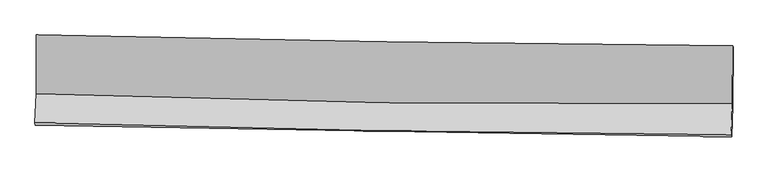
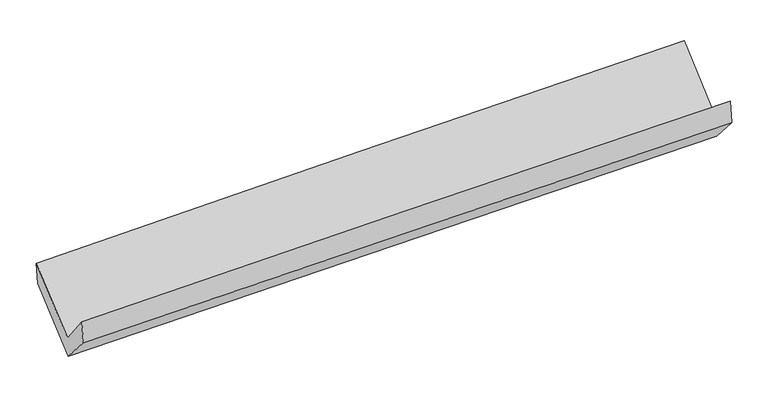
"""IFC4 building model written with IfcOpenShell, lengths in millimetres: proxy geometry."""

from ifc_helpers import new_model, si_unit, frame, origin, place, context, project, spatial, source, transform, mapped, element, save
from ifc_brep_helpers import plane_surface, spline_curve, spline_surface, advanced_brep


def generic_models_e4d39b87(model_context):
    return source(origin(), model_context, "Body", "AdvancedBrep", [
        advanced_brep(
        [(-3030.4500796, -1166.1700698, 2164.9735032), (-3031.6006486, -1678.4406037, 1731.9580099), (3020.748885, -1764.1353685, 1888.3999197), (3021.6177862, -1261.653083, 2325.0811093), (-3043.7114993, -1930.3412025, 2049.8430394), (3008.5200718, -2033.2621897, 2195.368582), (-3039.866679, -1950.7628555, 1853.6969681), (3012.5780403, -2050.8714532, 1992.0901994), (-3027.9261034, -1687.1590621, 1554.7418544), (3024.7536186, -1782.3415524, 1687.0029294), (-3026.6562838, -1183.6881884, 1973.9275639), (3026.0379799, -1273.1050648, 2110.9890416)],
        [
            (0, 1),
            (1, 2, spline_curve(3, [(-3031.6006486, -1678.4406037, 1731.9580099), (-2023.537111022, -1714.5087564, 1768.306707149), (-1015.148655894, -1739.684106122, 1799.517791506), (1002.301173452, -1768.24952635, 1851.665329816), (2011.362563129, -1771.639098212, 1872.601548887), (3020.748885, -1764.1353685, 1888.3999197)], [4, 2, 4], [0.0, 9.933054257310845, 19.86633584391199])),
            (2, 3),
            (3, 0, spline_curve(3, [(3021.6177862, -1261.653083, 2325.0811093), (2012.511992783, -1253.906732554, 2310.850271577), (1003.614338481, -1242.076501992, 2290.392328066), (-1013.741607197, -1210.248644012, 2237.022841238), (-2022.19990821, -1190.251203668, 2204.111582535), (-3030.4500796, -1166.1700698, 2164.9735032)], [4, 2, 4], [0.0, 9.933281586601145, 19.86633584391199])),
            (1, 4),
            (4, 5, spline_curve(3, [(-3043.7114993, -1930.3412025, 2049.8430394), (-2035.574798042, -1960.01699059, 2088.891354424), (-1027.159590785, -1983.431607368, 2120.5425867), (990.250920092, -2017.738889608, 2169.051439184), (1999.246236851, -2028.631268881, 2185.908721517), (3008.5200718, -2033.2621897, 2195.368582)], [4, 2, 4], [0.0, 9.933114151492855, 19.86645563364676])),
            (5, 2),
            (4, 6),
            (6, 7, spline_curve(3, [(-3039.866679, -1950.7628555, 1853.6969681), (-2031.163986572, -1969.069096629, 1877.507065191), (-1022.448018587, -1986.564514531, 1900.944755524), (995.033554108, -2019.934083915, 1947.075849351), (2003.799159093, -2035.808199141, 1969.769236596), (3012.5780403, -2050.8714532, 1992.0901994)], [4, 2, 4], [0.0, 9.93252353432177, 19.86527438578764])),
            (7, 5),
            (6, 8),
            (8, 9, spline_curve(3, [(-3027.9261034, -1687.1590621, 1554.7418544), (-2019.36562863, -1708.561300091, 1582.154045976), (-1010.701187381, -1727.1942346, 1606.881802283), (1006.858715398, -1758.921857857, 1650.968950204), (2015.754181197, -1772.016420698, 1670.328218762), (3024.7536186, -1782.3415524, 1687.0029294)], [4, 2, 4], [0.0, 9.932435096746259, 19.86509750861262])),
            (9, 7),
            (8, 10),
            (10, 11, spline_curve(3, [(-3026.6562838, -1183.6881884, 1973.9275639), (-2018.088497438, -1202.191499979, 2003.753377853), (-1009.41918856, -1218.894497478, 2030.087983689), (1008.145561233, -1248.700205387, 2075.775302708), (2017.041006856, -1261.802833315, 2095.127855921), (3026.0379799, -1273.1050648, 2110.9890416)], [4, 2, 4], [0.0, 9.932530773942013, 19.865288865193808])),
            (11, 9),
            (10, 0),
            (3, 11),
        ],
        [
            spline_surface(3, 3, [[(-3030.4500796, -1166.1700698, 2164.9735032), (-2022.199908255, -1190.25120363, 2204.11158246), (-1013.741607231, -1210.248644006, 2237.022841129), (1003.614338514, -1242.076501998, 2290.392328175), (2012.511992747, -1253.906732682, 2310.850271553), (3021.6177862, -1261.653083, 2325.0811093)], [(-3030.83360261, -1336.926914443, 2020.635005425), (-2022.645642483, -1365.003721245, 2058.843290733), (-1014.210623496, -1386.727131401, 2091.18782454), (1003.176616887, -1417.467510127, 2144.14999538), (2012.128849581, -1426.484187874, 2164.767364034), (3021.328152455, -1429.147178173, 2179.520712766)], [(-3031.21712559, -1507.683759057, 1876.296507675), (-2023.091376682, -1539.756238831, 1913.574999031), (-1014.679639787, -1563.205618744, 1945.352808035), (1002.738895237, -1592.858518205, 1997.90766267), (2011.745706449, -1599.061643047, 2018.684456518), (3021.038518745, -1596.641273327, 2033.960316234)], [(-3031.6006486, -1678.4406037, 1731.9580099), (-2023.537110909, -1714.508756445, 1768.306707303), (-1015.148656053, -1739.684106139, 1799.517791445), (1002.30117361, -1768.249526333, 1851.665329876), (2011.362563283, -1771.639098239, 1872.601548999), (3020.748885, -1764.1353685, 1888.3999197)]], [4, 4], [4, 2, 4], [0.0, 2.250485884297512], [0.0, 9.933054257310845, 19.86633584391199]),
            spline_surface(3, 3, [[(-3031.6006486, -1678.4406037, 1731.9580099), (-2023.537110909, -1714.508756445, 1768.306707303), (-1015.148656053, -1739.684106139, 1799.517791445), (1002.30117361, -1768.249526333, 1851.665329876), (2011.362563283, -1771.639098239, 1872.601548999), (3020.748885, -1764.1353685, 1888.3999197)], [(-3035.637598815, -1762.407469951, 1837.919686422), (-2027.54967324, -1796.344834532, 1875.168256397), (-1019.152300964, -1820.93327318, 1906.526056489), (998.28442246, -1851.412647418, 1957.460699695), (2007.323787765, -1857.303155082, 1977.03727317), (3016.672613942, -1853.844308886, 1990.722807126)], [(-3039.674549085, -1846.374336249, 1943.881362878), (-2031.562235626, -1878.180912666, 1982.029805426), (-1023.155945907, -1902.182440284, 2013.53432152), (994.267671276, -1934.575768567, 2063.256069501), (2003.285012221, -1942.967211966, 2081.472997363), (3012.596342858, -1943.553249314, 2093.045694574)], [(-3043.7114993, -1930.3412025, 2049.8430394), (-2035.574797957, -1960.016990753, 2088.89135452), (-1027.159590818, -1983.431607325, 2120.542586564), (990.250920126, -2017.738889652, 2169.05143932), (1999.246236703, -2028.631268809, 2185.908721534), (3008.5200718, -2033.2621897, 2195.368582)]], [4, 4], [4, 2, 4], [0.0, 1.3240029001289457], [0.0, 9.933114151492855, 19.86645563364676]),
            spline_surface(3, 3, [[(-3043.7114993, -1930.3412025, 2049.8430394), (-2035.574797957, -1960.016990753, 2088.89135452), (-1027.159590818, -1983.431607325, 2120.542586564), (990.250920126, -2017.738889652, 2169.05143932), (1999.246236703, -2028.631268809, 2185.908721534), (3008.5200718, -2033.2621897, 2195.368582)], [(-3042.429892527, -1937.14842016, 1984.461015622), (-2034.104527446, -1963.03435942, 2018.429924754), (-1025.589066712, -1984.475909671, 2047.34330952), (991.845131412, -2018.470621126, 2095.05957607), (2000.763877526, -2031.023578891, 2113.862226534), (3009.872727972, -2039.131944223, 2127.60912114)], [(-3041.148285773, -1943.95563784, 1919.078991878), (-2032.634256955, -1966.051728105, 1947.968495024), (-1024.018542588, -1985.520212021, 1974.144032414), (993.439342716, -2019.202352605, 2021.067712756), (2002.281518334, -2033.415888904, 2041.815731514), (3011.225384128, -2045.001698677, 2059.84966026)], [(-3039.866679, -1950.7628555, 1853.6969681), (-2031.163986444, -1969.069096772, 1877.507065258), (-1022.448018481, -1986.564514367, 1900.94475537), (995.033554002, -2019.934084079, 1947.075849506), (2003.799159158, -2035.808198987, 1969.769236514), (3012.5780403, -2050.8714532, 1992.0901994)]], [4, 4], [4, 2, 4], [0.0, 0.7245860668299064], [0.0, 9.93252353432177, 19.86527438578764]),
            spline_surface(3, 3, [[(-3039.866679, -1950.7628555, 1853.6969681), (-2031.163986444, -1969.069096772, 1877.507065258), (-1022.448018481, -1986.564514367, 1900.94475537), (995.033554002, -2019.934084079, 1947.075849506), (2003.799159158, -2035.808198987, 1969.769236514), (3012.5780403, -2050.8714532, 1992.0901994)], [(-3035.886487154, -1862.894924381, 1754.045263519), (-2027.231200523, -1882.233164613, 1779.056058766), (-1018.532408088, -1900.107754404, 1802.923771016), (998.975274433, -1932.930008716, 1848.373549732), (2007.784166537, -1947.877606146, 1869.955563905), (3016.636566409, -1961.361486235, 1890.394442729)], [(-3031.906295246, -1775.026993219, 1654.393558981), (-2023.298414539, -1795.397232412, 1680.605052318), (-1014.616797683, -1813.650994436, 1704.902786659), (1002.916994875, -1845.925933347, 1749.671249954), (2011.76917389, -1859.9470134, 1770.141891309), (3020.695092491, -1871.851519365, 1788.698686071)], [(-3027.9261034, -1687.1590621, 1554.7418544), (-2019.365628618, -1708.561300253, 1582.154045826), (-1010.701187289, -1727.194234473, 1606.881802306), (1006.858715306, -1758.921857985, 1650.96895018), (2015.754181269, -1772.016420559, 1670.3282187), (3024.7536186, -1782.3415524, 1687.0029294)]], [4, 4], [4, 2, 4], [0.0, 1.291307637328613], [0.0, 9.932435096746259, 19.86509750861262]),
            spline_surface(3, 3, [[(-3027.9261034, -1687.1590621, 1554.7418544), (-2019.365628618, -1708.561300253, 1582.154045826), (-1010.701187289, -1727.194234473, 1606.881802306), (1006.858715306, -1758.921857985, 1650.96895018), (2015.754181269, -1772.016420559, 1670.3282187), (3024.7536186, -1782.3415524, 1687.0029294)], [(-3027.502830183, -1519.335437546, 1694.470424233), (-2018.939918243, -1539.771366847, 1722.687156463), (-1010.273854397, -1557.760988837, 1747.950529417), (1007.287663973, -1588.8479738, 1792.571067678), (2016.183123156, -1601.945224841, 1811.928097803), (3025.181739029, -1612.596056554, 1828.331633468)], [(-3027.079557017, -1351.511812954, 1834.198994067), (-2018.514207919, -1370.981433404, 1863.220267102), (-1009.846521516, -1388.327743135, 1889.01925657), (1007.716612629, -1418.77408955, 1934.173185219), (2016.612065056, -1431.874029061, 1953.527976904), (3025.609859471, -1442.850560646, 1969.660337532)], [(-3026.6562838, -1183.6881884, 1973.9275639), (-2018.088497544, -1202.191499998, 2003.753377739), (-1009.419188623, -1218.894497499, 2030.08798368), (1008.145561296, -1248.700205366, 2075.775302717), (2017.041006943, -1261.802833342, 2095.127856007), (3026.0379799, -1273.1050648, 2110.9890416)]], [4, 4], [4, 2, 4], [0.0, 2.174109044906656], [0.0, 9.932530773942013, 19.865288865193808]),
            spline_surface(3, 3, [[(-3026.6562838, -1183.6881884, 1973.9275639), (-2018.088497544, -1202.191499998, 2003.753377739), (-1009.419188623, -1218.894497499, 2030.08798368), (1008.145561296, -1248.700205366, 2075.775302717), (2017.041006943, -1261.802833342, 2095.127856007), (3026.0379799, -1273.1050648, 2110.9890416)], [(-3027.920882412, -1177.848815519, 2037.60954368), (-2019.458967793, -1198.211401194, 2070.539445993), (-1010.859994839, -1216.012546317, 2099.066269512), (1006.635153688, -1246.492304225, 2147.314311219), (2015.531335538, -1259.170799784, 2167.03532786), (3024.564581993, -1269.287737528, 2182.353064171)], [(-3029.185480988, -1172.009442681, 2101.29152342), (-2020.829438007, -1194.231302434, 2137.325514206), (-1012.300801015, -1213.130595188, 2168.044555297), (1005.124746121, -1244.284403139, 2218.853319673), (2014.021664152, -1256.53876624, 2238.942799699), (3023.091184107, -1265.470410272, 2253.717086729)], [(-3030.4500796, -1166.1700698, 2164.9735032), (-2022.199908255, -1190.25120363, 2204.11158246), (-1013.741607231, -1210.248644006, 2237.022841129), (1003.614338514, -1242.076501998, 2290.392328175), (2012.511992747, -1253.906732682, 2310.850271553), (3021.6177862, -1261.653083, 2325.0811093)]], [4, 4], [4, 2, 4], [0.0, 0.6921283110113489], [0.0, 9.93263903977991, 19.86550539934739]),
            plane_surface(frame((3019.0427303, -1694.2281186, 2033.1552969), z_axis=(0.9995509604163565, -0.020621563836148007, 0.02174002381992961), x_axis=(0.001938257993897856, 0.7685000346707103, 0.6398468096873394))),
            plane_surface(frame((-3033.368549, -1599.426997, 1888.1901565), z_axis=(-0.9995509604163552, 0.02062156383617913, -0.02174002381996618), x_axis=(0.01977120211772077, -0.09129491399153042, -0.9956276102268857))),
        ],
        [
            (0, [[1, 2, 3, 4]]),
            (1, [[5, 6, 7, -2]]),
            (2, [[8, 9, 10, -6]]),
            (3, [[11, 12, 13, -9]]),
            (4, [[14, 15, 16, -12]]),
            (5, [[17, -4, 18, -15]]),
            (6, [[-16, -18, -3, -7, -10, -13]]),
            (7, [[-17, -14, -11, -8, -5, -1]]),
        ],
    ),
    ])


if __name__ == "__main__":
    model = new_model("IFC4")
    model_context = context("Model", 3, world=origin())
    ifc_project = project(units=[si_unit("LENGTHUNIT", "METRE", prefix="MILLI")], contexts=[model_context])
    site = spatial("IfcSite", under=ifc_project)
    building = spatial("IfcBuilding", under=site)
    placement = place(None, origin())
    generic_models_shape = generic_models_e4d39b87(model_context)
    element("IfcBuildingElementProxy", 1, Name="Generic Models", at=placement, inside=building, context=model_context, shape_type="MappedRepresentation", body=[
        mapped(generic_models_shape, transform((0.0, 0.0, 0.0), x_axis=(1.0, 0.0, 0.0), y_axis=(0.0, 1.0, 0.0), z_axis=(0.0, 0.0, 1.0))),
    ])
    save(model, "model.ifc")
